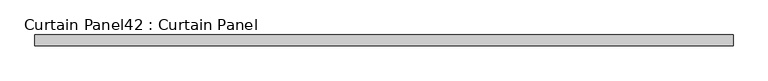
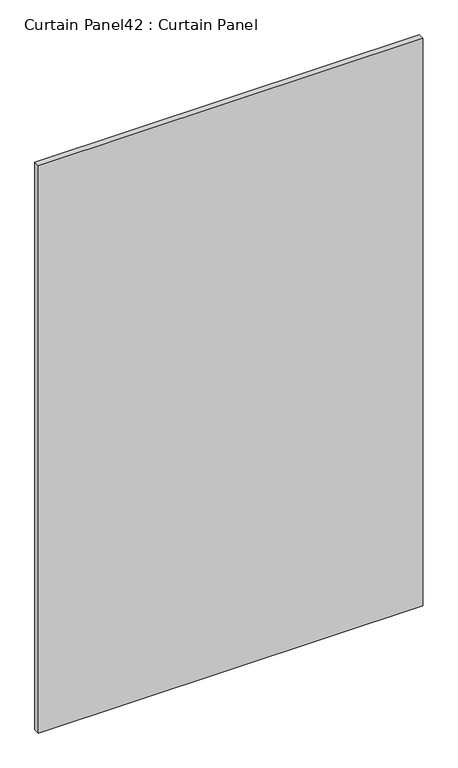
"""IFC4 building model written with IfcOpenShell, lengths in millimetres: plate geometry, Curtain Panel42 : Curtain Panel."""

from ifc_helpers import new_model, si_unit, frame, origin, place, context, project, spatial, polyline, outline, extrude, source, transform, mapped, element, save


def curtain_panel42_curtain_panel_c7d2c53f(model_context):
    return source(origin(), model_context, "Body", "SweptSolid", [
        extrude(outline(polyline([(66367.3078051, 1833.992552), (64735.3503885, 1833.992552), (64735.3503885, 1859.392552), (66367.3078051, 1859.392552), (66367.3078051, 1833.992552)])), frame((0.0, 0.0, -568.0964608), z_axis=(0.0, 0.0, 1.0), x_axis=(1.0, 0.0, 0.0)), (0.0, 0.0, 1.0), 2546.3476969),
    ])


if __name__ == "__main__":
    model = new_model("IFC4")
    model_context = context("Model", 3, world=origin())
    ifc_project = project(units=[si_unit("LENGTHUNIT", "METRE", prefix="MILLI")], contexts=[model_context])
    site = spatial("IfcSite", under=ifc_project)
    building = spatial("IfcBuilding", under=site)
    placement = place(None, origin())
    curtain_panel42_curtain_panel_shape = curtain_panel42_curtain_panel_c7d2c53f(model_context)
    element("IfcPlate", 1, ObjectType="Curtain Panel42 : Curtain Panel", at=placement, inside=building, context=model_context, shape_type="MappedRepresentation", body=[
        mapped(curtain_panel42_curtain_panel_shape, transform((0.0, 0.0, 0.0), x_axis=(1.0, 0.0, 0.0), y_axis=(0.0, 1.0, 0.0), z_axis=(0.0, 0.0, 1.0))),
    ])
    save(model, "model.ifc")
